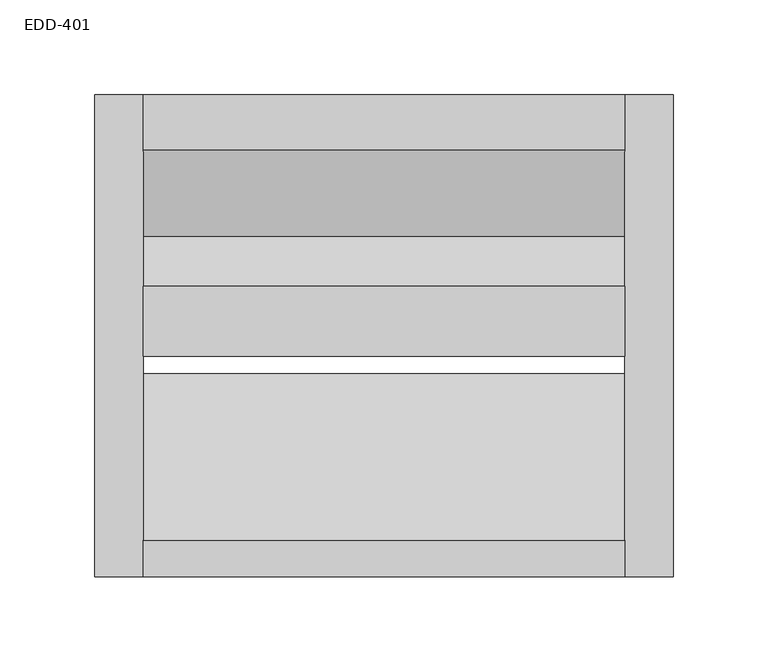
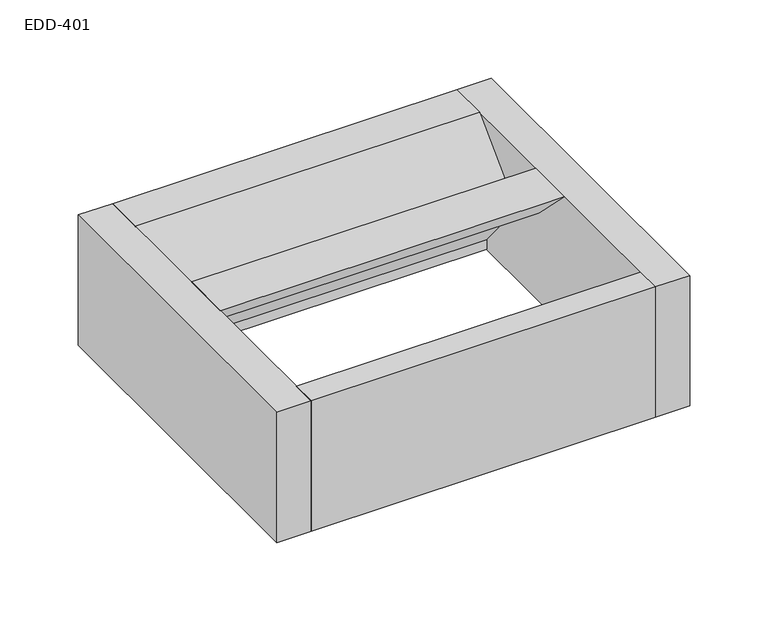
"""IFC4 building model written with IfcOpenShell, lengths in millimetres: proxy geometry, EDD-401."""

from ifc_helpers import new_model, si_unit, frame, origin, place, context, project, spatial, polyline, outline, extrude, source, transform, mapped, element, save


def edd_401_2820e865(model_context):
    return source(origin(), model_context, "Body", "SweptSolid", [
        extrude(outline(polyline([(-127.0, -101.6), (-127.0, 0.0), (-107.95, 0.0), (-19.961819, -101.6), (-127.0, -101.6)])), frame((-127.0, 0.0, 0.0), z_axis=(1.0, 0.0, 0.0), x_axis=(0.0, 1.0, 0.0)), (0.0, 0.0, 1.0), 254.0),
        extrude(outline(polyline([(38.3246354, -31.5976), (20.8492079, -31.5976), (-10.7483921, 0.0), (26.0562079, 0.0), (26.0562079, -13.4804385), (52.1270053, -45.6375947), (97.7646, 0.0), (127.0, 0.0), (127.0, -101.6), (88.9, -101.6), (88.9, -93.980038), (38.3246354, -31.5976)])), frame((-127.0, 0.0, 0.0), z_axis=(1.0, 0.0, 0.0), x_axis=(0.0, 1.0, 0.0)), (0.0, 0.0, 1.0), 254.0),
        extrude(outline(polyline([(127.0, 127.0), (152.4, 127.0), (152.4, -127.0), (127.0, -127.0), (127.0, 127.0)])), frame((0.0, 0.0, -101.6), z_axis=(0.0, 0.0, 1.0), x_axis=(1.0, 0.0, 0.0)), (0.0, 0.0, 1.0), 101.6),
        extrude(outline(polyline([(-152.4, 127.0), (-127.0, 127.0), (-127.0, -127.0), (-152.4, -127.0), (-152.4, 127.0)])), frame((0.0, 0.0, -101.6), z_axis=(0.0, 0.0, 1.0), x_axis=(1.0, 0.0, 0.0)), (0.0, 0.0, 1.0), 101.6),
    ])


if __name__ == "__main__":
    model = new_model("IFC4")
    model_context = context("Model", 3, world=origin())
    ifc_project = project(units=[si_unit("LENGTHUNIT", "METRE", prefix="MILLI")], contexts=[model_context])
    site = spatial("IfcSite", under=ifc_project)
    building = spatial("IfcBuilding", under=site)
    placement = place(None, origin())
    edd_401_shape = edd_401_2820e865(model_context)
    element("IfcBuildingElementProxy", 1, Name="EDD-401", ObjectType="EDD-401", at=placement, inside=building, context=model_context, shape_type="MappedRepresentation", body=[
        mapped(edd_401_shape, transform((0.0, 0.0, 0.0), x_axis=(1.0, 0.0, 0.0), y_axis=(0.0, 1.0, 0.0), z_axis=(0.0, 0.0, 1.0))),
    ])
    save(model, "model.ifc")
